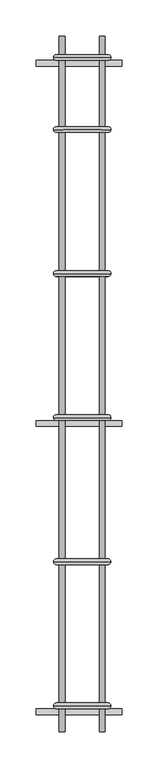
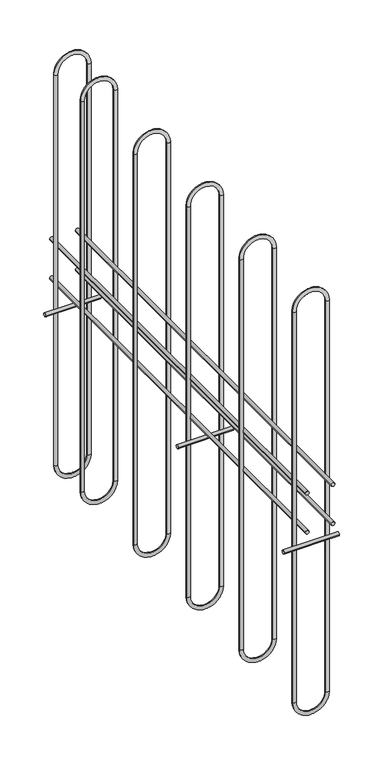
"""IFC4 building model written with IfcOpenShell, lengths in millimetres: proxy geometry."""

from ifc_helpers import new_model, si_unit, point, frame, frame_2d, origin, place, context, project, spatial, circle_curve, ellipse_curve, trimmed, segment, composite_curve, outline, extrude, source, transform, mapped, element, save
from ifc_brep_helpers import cylinder_surface, revolved_surface, advanced_brep


def generic_models_81b1c5bd(model_context):
    return source(origin(), model_context, "Body", "SolidModel", [
        advanced_brep(
        [(16447.8502159, 9273.8974078, 7458.4276677), (16367.8502159, 9273.8974078, 7458.4276677), (16375.8502159, 9273.8974078, 7458.4276677), (16439.8502159, 9273.8974078, 7458.4276677), (16439.8502159, 9273.8974078, 8358.4276677), (16447.8502159, 9273.8974078, 8358.4276677), (16367.8502159, 9273.8974078, 8358.4276677), (16375.8502159, 9273.8974078, 8358.4276677)],
        [
            (0, 1, circle_curve(frame((16407.8502159, 9273.8974078, 7458.4276677), z_axis=(0.0, 1.0, 0.0), x_axis=(-1.0, 0.0, 0.0)), 40.0)),
            (1, 2, circle_curve(frame((16371.8502159, 9273.8974078, 7458.4276677), z_axis=(0.0, 0.0, -1.0), x_axis=(1.0, 0.0, 0.0)), 4.0)),
            (2, 3, circle_curve(frame((16407.8502159, 9273.8974078, 7458.4276677), z_axis=(0.0, -1.0, 0.0), x_axis=(-1.0, 0.0, 0.0)), 32.0)),
            (3, 0, circle_curve(frame((16443.8502159, 9273.8974078, 7458.4276677), z_axis=(0.0, 0.0, -1.0), x_axis=(-1.0, 0.0, 0.0)), 4.0)),
            (2, 1, circle_curve(frame((16371.8502159, 9273.8974078, 7458.4276677), z_axis=(0.0, 0.0, -1.0), x_axis=(1.0, 0.0, 0.0)), 4.0)),
            (0, 3, circle_curve(frame((16443.8502159, 9273.8974078, 7458.4276677), z_axis=(0.0, 0.0, -1.0), x_axis=(-1.0, 0.0, 0.0)), 4.0)),
            (3, 4),
            (4, 5, circle_curve(frame((16443.8502159, 9273.8974078, 8358.4276677), z_axis=(0.0, 0.0, -1.0), x_axis=(-1.0, 0.0, 0.0)), 4.0)),
            (5, 0),
            (5, 4, circle_curve(frame((16443.8502159, 9273.8974078, 8358.4276677), z_axis=(0.0, 0.0, -1.0), x_axis=(-1.0, 0.0, 0.0)), 4.0)),
            (6, 5, circle_curve(frame((16407.8502159, 9273.8974078, 8358.4276677), z_axis=(0.0, 1.0, 0.0), x_axis=(1.0, 0.0, 0.0)), 40.0)),
            (4, 7, circle_curve(frame((16407.8502159, 9273.8974078, 8358.4276677), z_axis=(0.0, -1.0, 0.0), x_axis=(1.0, 0.0, 0.0)), 32.0)),
            (7, 6, circle_curve(frame((16371.8502159, 9273.8974078, 8358.4276677), z_axis=(0.0, 0.0, 1.0), x_axis=(1.0, 0.0, 0.0)), 4.0)),
            (6, 7, circle_curve(frame((16371.8502159, 9273.8974078, 8358.4276677), z_axis=(0.0, 0.0, 1.0), x_axis=(1.0, 0.0, 0.0)), 4.0)),
            (7, 2),
            (1, 6),
        ],
        [
            revolved_surface(trimmed(ellipse_curve(frame((16371.8502159, 9273.8974078, 7458.4276677), z_axis=(0.0, 0.0, 1.0), x_axis=(1.0, 0.0, 0.0)), 4.0, 4.0), [point((16375.8502159, 9273.8974078, 7458.4276677))], [point((16367.8502159, 9273.8974078, 7458.4276677))], True, "CARTESIAN"), (16407.8502159, 9273.8974078, 7458.4276677), (0.0, -1.0, 0.0)),
            revolved_surface(trimmed(ellipse_curve(frame((16371.8502159, 9273.8974078, 7458.4276677), z_axis=(0.0, 0.0, 1.0), x_axis=(1.0, 0.0, 0.0)), 4.0, 4.0), [point((16367.8502159, 9273.8974078, 7458.4276677))], [point((16375.8502159, 9273.8974078, 7458.4276677))], True, "CARTESIAN"), (16407.8502159, 9273.8974078, 7458.4276677), (0.0, -1.0, 0.0)),
            cylinder_surface(frame((16443.8502159, 9273.8974078, 7458.4276677), z_axis=(0.0, 0.0, -1.0), x_axis=(-1.0, 0.0, 0.0)), 4.0),
            revolved_surface(trimmed(ellipse_curve(frame((16443.8502159, 9273.8974078, 8358.4276677), z_axis=(0.0, 0.0, -1.0), x_axis=(-1.0, 0.0, 0.0)), 4.0, 4.0), [point((16439.8502159, 9273.8974078, 8358.4276677))], [point((16447.8502159, 9273.8974078, 8358.4276677))], True, "CARTESIAN"), (16407.8502159, 9273.8974078, 8358.4276677), (0.0, -1.0, 0.0)),
            revolved_surface(trimmed(ellipse_curve(frame((16443.8502159, 9273.8974078, 8358.4276677), z_axis=(0.0, 0.0, -1.0), x_axis=(-1.0, 0.0, 0.0)), 4.0, 4.0), [point((16447.8502159, 9273.8974078, 8358.4276677))], [point((16439.8502159, 9273.8974078, 8358.4276677))], True, "CARTESIAN"), (16407.8502159, 9273.8974078, 8358.4276677), (0.0, -1.0, 0.0)),
            cylinder_surface(frame((16371.8502159, 9273.8974078, 8358.4276677), z_axis=(0.0, 0.0, 1.0), x_axis=(1.0, 0.0, 0.0)), 4.0),
        ],
        [
            (0, [[1, 2, 3, 4]]),
            (1, [[-3, 5, -1, 6]]),
            (2, [[-4, 7, 8, 9]]),
            (2, [[-6, -9, 10, -7]]),
            (3, [[11, -8, 12, 13]]),
            (4, [[-12, -10, -11, 14]]),
            (5, [[-13, 15, -2, 16]]),
            (5, [[-14, -16, -5, -15]]),
        ],
    ),
        extrude(outline(composite_curve([segment(trimmed(circle_curve(frame_2d((10165.8600786, 7818.4276677)), 4.0), [point((10169.8600786, 7818.4276677))], [point((10161.8600786, 7818.4276677))], False, "CARTESIAN"), True, "CONTINUOUS"), segment(trimmed(circle_curve(frame_2d((10165.8600786, 7818.4276677)), 4.0), [point((10161.8600786, 7818.4276677))], [point((10169.8600786, 7818.4276677))], False, "CARTESIAN"), True, "CONTINUOUS")], self_intersect=False)), frame((16343.4712212, 0.0, 0.0), z_axis=(1.0, 0.0, 0.0), x_axis=(0.0, 1.0, 0.0)), (0.0, 0.0, 1.0), 120.0),
        extrude(outline(composite_curve([segment(trimmed(circle_curve(frame_2d((9665.8600786, 7818.4276677)), 4.0), [point((9669.8600786, 7818.4276677))], [point((9661.8600786, 7818.4276677))], False, "CARTESIAN"), True, "CONTINUOUS"), segment(trimmed(circle_curve(frame_2d((9665.8600786, 7818.4276677)), 4.0), [point((9661.8600786, 7818.4276677))], [point((9669.8600786, 7818.4276677))], False, "CARTESIAN"), True, "CONTINUOUS")], self_intersect=False)), frame((16343.4712212, 0.0, 0.0), z_axis=(1.0, 0.0, 0.0), x_axis=(0.0, 1.0, 0.0)), (0.0, 0.0, 1.0), 120.0),
        extrude(outline(composite_curve([segment(trimmed(circle_curve(frame_2d((9265.8600786, 7818.4276677)), 4.0), [point((9269.8600786, 7818.4276677))], [point((9261.8600786, 7818.4276677))], False, "CARTESIAN"), True, "CONTINUOUS"), segment(trimmed(circle_curve(frame_2d((9265.8600786, 7818.4276677)), 4.0), [point((9261.8600786, 7818.4276677))], [point((9269.8600786, 7818.4276677))], False, "CARTESIAN"), True, "CONTINUOUS")], self_intersect=False)), frame((16343.4712212, 0.0, 0.0), z_axis=(1.0, 0.0, 0.0), x_axis=(0.0, 1.0, 0.0)), (0.0, 0.0, 1.0), 120.0),
        advanced_brep(
        [(16447.8502159, 10173.8974078, 7458.4276677), (16367.8502159, 10173.8974078, 7458.4276677), (16375.8502159, 10173.8974078, 7458.4276677), (16439.8502159, 10173.8974078, 7458.4276677), (16439.8502159, 10173.8974078, 8358.4276677), (16447.8502159, 10173.8974078, 8358.4276677), (16367.8502159, 10173.8974078, 8358.4276677), (16375.8502159, 10173.8974078, 8358.4276677)],
        [
            (0, 1, circle_curve(frame((16407.8502159, 10173.8974078, 7458.4276677), z_axis=(0.0, 1.0, 0.0), x_axis=(-1.0, 0.0, 0.0)), 40.0)),
            (1, 2, circle_curve(frame((16371.8502159, 10173.8974078, 7458.4276677), z_axis=(0.0, 0.0, -1.0), x_axis=(1.0, 0.0, 0.0)), 4.0)),
            (2, 3, circle_curve(frame((16407.8502159, 10173.8974078, 7458.4276677), z_axis=(0.0, -1.0, 0.0), x_axis=(-1.0, 0.0, 0.0)), 32.0)),
            (3, 0, circle_curve(frame((16443.8502159, 10173.8974078, 7458.4276677), z_axis=(0.0, 0.0, -1.0), x_axis=(-1.0, 0.0, 0.0)), 4.0)),
            (2, 1, circle_curve(frame((16371.8502159, 10173.8974078, 7458.4276677), z_axis=(0.0, 0.0, -1.0), x_axis=(1.0, 0.0, 0.0)), 4.0)),
            (0, 3, circle_curve(frame((16443.8502159, 10173.8974078, 7458.4276677), z_axis=(0.0, 0.0, -1.0), x_axis=(-1.0, 0.0, 0.0)), 4.0)),
            (3, 4),
            (4, 5, circle_curve(frame((16443.8502159, 10173.8974078, 8358.4276677), z_axis=(0.0, 0.0, -1.0), x_axis=(-1.0, 0.0, 0.0)), 4.0)),
            (5, 0),
            (5, 4, circle_curve(frame((16443.8502159, 10173.8974078, 8358.4276677), z_axis=(0.0, 0.0, -1.0), x_axis=(-1.0, 0.0, 0.0)), 4.0)),
            (6, 5, circle_curve(frame((16407.8502159, 10173.8974078, 8358.4276677), z_axis=(0.0, 1.0, 0.0), x_axis=(1.0, 0.0, 0.0)), 40.0)),
            (4, 7, circle_curve(frame((16407.8502159, 10173.8974078, 8358.4276677), z_axis=(0.0, -1.0, 0.0), x_axis=(1.0, 0.0, 0.0)), 32.0)),
            (7, 6, circle_curve(frame((16371.8502159, 10173.8974078, 8358.4276677), z_axis=(0.0, 0.0, 1.0), x_axis=(1.0, 0.0, 0.0)), 4.0)),
            (6, 7, circle_curve(frame((16371.8502159, 10173.8974078, 8358.4276677), z_axis=(0.0, 0.0, 1.0), x_axis=(1.0, 0.0, 0.0)), 4.0)),
            (7, 2),
            (1, 6),
        ],
        [
            revolved_surface(trimmed(ellipse_curve(frame((16371.8502159, 10173.8974078, 7458.4276677), z_axis=(0.0, 0.0, 1.0), x_axis=(1.0, 0.0, 0.0)), 4.0, 4.0), [point((16375.8502159, 10173.8974078, 7458.4276677))], [point((16367.8502159, 10173.8974078, 7458.4276677))], True, "CARTESIAN"), (16407.8502159, 10173.8974078, 7458.4276677), (0.0, -1.0, 0.0)),
            revolved_surface(trimmed(ellipse_curve(frame((16371.8502159, 10173.8974078, 7458.4276677), z_axis=(0.0, 0.0, 1.0), x_axis=(1.0, 0.0, 0.0)), 4.0, 4.0), [point((16367.8502159, 10173.8974078, 7458.4276677))], [point((16375.8502159, 10173.8974078, 7458.4276677))], True, "CARTESIAN"), (16407.8502159, 10173.8974078, 7458.4276677), (0.0, -1.0, 0.0)),
            cylinder_surface(frame((16443.8502159, 10173.8974078, 7458.4276677), z_axis=(0.0, 0.0, -1.0), x_axis=(-1.0, 0.0, 0.0)), 4.0),
            revolved_surface(trimmed(ellipse_curve(frame((16443.8502159, 10173.8974078, 8358.4276677), z_axis=(0.0, 0.0, -1.0), x_axis=(-1.0, 0.0, 0.0)), 4.0, 4.0), [point((16439.8502159, 10173.8974078, 8358.4276677))], [point((16447.8502159, 10173.8974078, 8358.4276677))], True, "CARTESIAN"), (16407.8502159, 10173.8974078, 8358.4276677), (0.0, -1.0, 0.0)),
            revolved_surface(trimmed(ellipse_curve(frame((16443.8502159, 10173.8974078, 8358.4276677), z_axis=(0.0, 0.0, -1.0), x_axis=(-1.0, 0.0, 0.0)), 4.0, 4.0), [point((16447.8502159, 10173.8974078, 8358.4276677))], [point((16439.8502159, 10173.8974078, 8358.4276677))], True, "CARTESIAN"), (16407.8502159, 10173.8974078, 8358.4276677), (0.0, -1.0, 0.0)),
            cylinder_surface(frame((16371.8502159, 10173.8974078, 8358.4276677), z_axis=(0.0, 0.0, 1.0), x_axis=(1.0, 0.0, 0.0)), 4.0),
        ],
        [
            (0, [[1, 2, 3, 4]]),
            (1, [[-3, 5, -1, 6]]),
            (2, [[-4, 7, 8, 9]]),
            (2, [[-6, -9, 10, -7]]),
            (3, [[11, -8, 12, 13]]),
            (4, [[-12, -10, -11, 14]]),
            (5, [[-13, 15, -2, 16]]),
            (5, [[-14, -16, -5, -15]]),
        ],
    ),
        advanced_brep(
        [(16447.8502159, 10073.8974078, 7458.4276677), (16367.8502159, 10073.8974078, 7458.4276677), (16375.8502159, 10073.8974078, 7458.4276677), (16439.8502159, 10073.8974078, 7458.4276677), (16439.8502159, 10073.8974078, 8358.4276677), (16447.8502159, 10073.8974078, 8358.4276677), (16367.8502159, 10073.8974078, 8358.4276677), (16375.8502159, 10073.8974078, 8358.4276677)],
        [
            (0, 1, circle_curve(frame((16407.8502159, 10073.8974078, 7458.4276677), z_axis=(0.0, 1.0, 0.0), x_axis=(-1.0, 0.0, 0.0)), 40.0)),
            (1, 2, circle_curve(frame((16371.8502159, 10073.8974078, 7458.4276677), z_axis=(0.0, 0.0, -1.0), x_axis=(1.0, 0.0, 0.0)), 4.0)),
            (2, 3, circle_curve(frame((16407.8502159, 10073.8974078, 7458.4276677), z_axis=(0.0, -1.0, 0.0), x_axis=(-1.0, 0.0, 0.0)), 32.0)),
            (3, 0, circle_curve(frame((16443.8502159, 10073.8974078, 7458.4276677), z_axis=(0.0, 0.0, -1.0), x_axis=(-1.0, 0.0, 0.0)), 4.0)),
            (2, 1, circle_curve(frame((16371.8502159, 10073.8974078, 7458.4276677), z_axis=(0.0, 0.0, -1.0), x_axis=(1.0, 0.0, 0.0)), 4.0)),
            (0, 3, circle_curve(frame((16443.8502159, 10073.8974078, 7458.4276677), z_axis=(0.0, 0.0, -1.0), x_axis=(-1.0, 0.0, 0.0)), 4.0)),
            (3, 4),
            (4, 5, circle_curve(frame((16443.8502159, 10073.8974078, 8358.4276677), z_axis=(0.0, 0.0, -1.0), x_axis=(-1.0, 0.0, 0.0)), 4.0)),
            (5, 0),
            (5, 4, circle_curve(frame((16443.8502159, 10073.8974078, 8358.4276677), z_axis=(0.0, 0.0, -1.0), x_axis=(-1.0, 0.0, 0.0)), 4.0)),
            (6, 5, circle_curve(frame((16407.8502159, 10073.8974078, 8358.4276677), z_axis=(0.0, 1.0, 0.0), x_axis=(1.0, 0.0, 0.0)), 40.0)),
            (4, 7, circle_curve(frame((16407.8502159, 10073.8974078, 8358.4276677), z_axis=(0.0, -1.0, 0.0), x_axis=(1.0, 0.0, 0.0)), 32.0)),
            (7, 6, circle_curve(frame((16371.8502159, 10073.8974078, 8358.4276677), z_axis=(0.0, 0.0, 1.0), x_axis=(1.0, 0.0, 0.0)), 4.0)),
            (6, 7, circle_curve(frame((16371.8502159, 10073.8974078, 8358.4276677), z_axis=(0.0, 0.0, 1.0), x_axis=(1.0, 0.0, 0.0)), 4.0)),
            (7, 2),
            (1, 6),
        ],
        [
            revolved_surface(trimmed(ellipse_curve(frame((16371.8502159, 10073.8974078, 7458.4276677), z_axis=(0.0, 0.0, 1.0), x_axis=(1.0, 0.0, 0.0)), 4.0, 4.0), [point((16375.8502159, 10073.8974078, 7458.4276677))], [point((16367.8502159, 10073.8974078, 7458.4276677))], True, "CARTESIAN"), (16407.8502159, 10073.8974078, 7458.4276677), (0.0, -1.0, 0.0)),
            revolved_surface(trimmed(ellipse_curve(frame((16371.8502159, 10073.8974078, 7458.4276677), z_axis=(0.0, 0.0, 1.0), x_axis=(1.0, 0.0, 0.0)), 4.0, 4.0), [point((16367.8502159, 10073.8974078, 7458.4276677))], [point((16375.8502159, 10073.8974078, 7458.4276677))], True, "CARTESIAN"), (16407.8502159, 10073.8974078, 7458.4276677), (0.0, -1.0, 0.0)),
            cylinder_surface(frame((16443.8502159, 10073.8974078, 7458.4276677), z_axis=(0.0, 0.0, -1.0), x_axis=(-1.0, 0.0, 0.0)), 4.0),
            revolved_surface(trimmed(ellipse_curve(frame((16443.8502159, 10073.8974078, 8358.4276677), z_axis=(0.0, 0.0, -1.0), x_axis=(-1.0, 0.0, 0.0)), 4.0, 4.0), [point((16439.8502159, 10073.8974078, 8358.4276677))], [point((16447.8502159, 10073.8974078, 8358.4276677))], True, "CARTESIAN"), (16407.8502159, 10073.8974078, 8358.4276677), (0.0, -1.0, 0.0)),
            revolved_surface(trimmed(ellipse_curve(frame((16443.8502159, 10073.8974078, 8358.4276677), z_axis=(0.0, 0.0, -1.0), x_axis=(-1.0, 0.0, 0.0)), 4.0, 4.0), [point((16447.8502159, 10073.8974078, 8358.4276677))], [point((16439.8502159, 10073.8974078, 8358.4276677))], True, "CARTESIAN"), (16407.8502159, 10073.8974078, 8358.4276677), (0.0, -1.0, 0.0)),
            cylinder_surface(frame((16371.8502159, 10073.8974078, 8358.4276677), z_axis=(0.0, 0.0, 1.0), x_axis=(1.0, 0.0, 0.0)), 4.0),
        ],
        [
            (0, [[1, 2, 3, 4]]),
            (1, [[-3, 5, -1, 6]]),
            (2, [[-4, 7, 8, 9]]),
            (2, [[-6, -9, 10, -7]]),
            (3, [[11, -8, 12, 13]]),
            (4, [[-12, -10, -11, 14]]),
            (5, [[-13, 15, -2, 16]]),
            (5, [[-14, -16, -5, -15]]),
        ],
    ),
        advanced_brep(
        [(16447.8502159, 9873.8974078, 7458.4276677), (16367.8502159, 9873.8974078, 7458.4276677), (16375.8502159, 9873.8974078, 7458.4276677), (16439.8502159, 9873.8974078, 7458.4276677), (16439.8502159, 9873.8974078, 8358.4276677), (16447.8502159, 9873.8974078, 8358.4276677), (16367.8502159, 9873.8974078, 8358.4276677), (16375.8502159, 9873.8974078, 8358.4276677)],
        [
            (0, 1, circle_curve(frame((16407.8502159, 9873.8974078, 7458.4276677), z_axis=(0.0, 1.0, 0.0), x_axis=(-1.0, 0.0, 0.0)), 40.0)),
            (1, 2, circle_curve(frame((16371.8502159, 9873.8974078, 7458.4276677), z_axis=(0.0, 0.0, -1.0), x_axis=(1.0, 0.0, 0.0)), 4.0)),
            (2, 3, circle_curve(frame((16407.8502159, 9873.8974078, 7458.4276677), z_axis=(0.0, -1.0, 0.0), x_axis=(-1.0, 0.0, 0.0)), 32.0)),
            (3, 0, circle_curve(frame((16443.8502159, 9873.8974078, 7458.4276677), z_axis=(0.0, 0.0, -1.0), x_axis=(-1.0, 0.0, 0.0)), 4.0)),
            (2, 1, circle_curve(frame((16371.8502159, 9873.8974078, 7458.4276677), z_axis=(0.0, 0.0, -1.0), x_axis=(1.0, 0.0, 0.0)), 4.0)),
            (0, 3, circle_curve(frame((16443.8502159, 9873.8974078, 7458.4276677), z_axis=(0.0, 0.0, -1.0), x_axis=(-1.0, 0.0, 0.0)), 4.0)),
            (3, 4),
            (4, 5, circle_curve(frame((16443.8502159, 9873.8974078, 8358.4276677), z_axis=(0.0, 0.0, -1.0), x_axis=(-1.0, 0.0, 0.0)), 4.0)),
            (5, 0),
            (5, 4, circle_curve(frame((16443.8502159, 9873.8974078, 8358.4276677), z_axis=(0.0, 0.0, -1.0), x_axis=(-1.0, 0.0, 0.0)), 4.0)),
            (6, 5, circle_curve(frame((16407.8502159, 9873.8974078, 8358.4276677), z_axis=(0.0, 1.0, 0.0), x_axis=(1.0, 0.0, 0.0)), 40.0)),
            (4, 7, circle_curve(frame((16407.8502159, 9873.8974078, 8358.4276677), z_axis=(0.0, -1.0, 0.0), x_axis=(1.0, 0.0, 0.0)), 32.0)),
            (7, 6, circle_curve(frame((16371.8502159, 9873.8974078, 8358.4276677), z_axis=(0.0, 0.0, 1.0), x_axis=(1.0, 0.0, 0.0)), 4.0)),
            (6, 7, circle_curve(frame((16371.8502159, 9873.8974078, 8358.4276677), z_axis=(0.0, 0.0, 1.0), x_axis=(1.0, 0.0, 0.0)), 4.0)),
            (7, 2),
            (1, 6),
        ],
        [
            revolved_surface(trimmed(ellipse_curve(frame((16371.8502159, 9873.8974078, 7458.4276677), z_axis=(0.0, 0.0, 1.0), x_axis=(1.0, 0.0, 0.0)), 4.0, 4.0), [point((16375.8502159, 9873.8974078, 7458.4276677))], [point((16367.8502159, 9873.8974078, 7458.4276677))], True, "CARTESIAN"), (16407.8502159, 9873.8974078, 7458.4276677), (0.0, -1.0, 0.0)),
            revolved_surface(trimmed(ellipse_curve(frame((16371.8502159, 9873.8974078, 7458.4276677), z_axis=(0.0, 0.0, 1.0), x_axis=(1.0, 0.0, 0.0)), 4.0, 4.0), [point((16367.8502159, 9873.8974078, 7458.4276677))], [point((16375.8502159, 9873.8974078, 7458.4276677))], True, "CARTESIAN"), (16407.8502159, 9873.8974078, 7458.4276677), (0.0, -1.0, 0.0)),
            cylinder_surface(frame((16443.8502159, 9873.8974078, 7458.4276677), z_axis=(0.0, 0.0, -1.0), x_axis=(-1.0, 0.0, 0.0)), 4.0),
            revolved_surface(trimmed(ellipse_curve(frame((16443.8502159, 9873.8974078, 8358.4276677), z_axis=(0.0, 0.0, -1.0), x_axis=(-1.0, 0.0, 0.0)), 4.0, 4.0), [point((16439.8502159, 9873.8974078, 8358.4276677))], [point((16447.8502159, 9873.8974078, 8358.4276677))], True, "CARTESIAN"), (16407.8502159, 9873.8974078, 8358.4276677), (0.0, -1.0, 0.0)),
            revolved_surface(trimmed(ellipse_curve(frame((16443.8502159, 9873.8974078, 8358.4276677), z_axis=(0.0, 0.0, -1.0), x_axis=(-1.0, 0.0, 0.0)), 4.0, 4.0), [point((16447.8502159, 9873.8974078, 8358.4276677))], [point((16439.8502159, 9873.8974078, 8358.4276677))], True, "CARTESIAN"), (16407.8502159, 9873.8974078, 8358.4276677), (0.0, -1.0, 0.0)),
            cylinder_surface(frame((16371.8502159, 9873.8974078, 8358.4276677), z_axis=(0.0, 0.0, 1.0), x_axis=(1.0, 0.0, 0.0)), 4.0),
        ],
        [
            (0, [[1, 2, 3, 4]]),
            (1, [[-3, 5, -1, 6]]),
            (2, [[-4, 7, 8, 9]]),
            (2, [[-6, -9, 10, -7]]),
            (3, [[11, -8, 12, 13]]),
            (4, [[-12, -10, -11, 14]]),
            (5, [[-13, 15, -2, 16]]),
            (5, [[-14, -16, -5, -15]]),
        ],
    ),
        advanced_brep(
        [(16447.8502159, 9673.8974078, 7458.4276677), (16367.8502159, 9673.8974078, 7458.4276677), (16375.8502159, 9673.8974078, 7458.4276677), (16439.8502159, 9673.8974078, 7458.4276677), (16439.8502159, 9673.8974078, 8358.4276677), (16447.8502159, 9673.8974078, 8358.4276677), (16367.8502159, 9673.8974078, 8358.4276677), (16375.8502159, 9673.8974078, 8358.4276677)],
        [
            (0, 1, circle_curve(frame((16407.8502159, 9673.8974078, 7458.4276677), z_axis=(0.0, 1.0, 0.0), x_axis=(-1.0, 0.0, 0.0)), 40.0)),
            (1, 2, circle_curve(frame((16371.8502159, 9673.8974078, 7458.4276677), z_axis=(0.0, 0.0, -1.0), x_axis=(1.0, 0.0, 0.0)), 4.0)),
            (2, 3, circle_curve(frame((16407.8502159, 9673.8974078, 7458.4276677), z_axis=(0.0, -1.0, 0.0), x_axis=(-1.0, 0.0, 0.0)), 32.0)),
            (3, 0, circle_curve(frame((16443.8502159, 9673.8974078, 7458.4276677), z_axis=(0.0, 0.0, -1.0), x_axis=(-1.0, 0.0, 0.0)), 4.0)),
            (2, 1, circle_curve(frame((16371.8502159, 9673.8974078, 7458.4276677), z_axis=(0.0, 0.0, -1.0), x_axis=(1.0, 0.0, 0.0)), 4.0)),
            (0, 3, circle_curve(frame((16443.8502159, 9673.8974078, 7458.4276677), z_axis=(0.0, 0.0, -1.0), x_axis=(-1.0, 0.0, 0.0)), 4.0)),
            (3, 4),
            (4, 5, circle_curve(frame((16443.8502159, 9673.8974078, 8358.4276677), z_axis=(0.0, 0.0, -1.0), x_axis=(-1.0, 0.0, 0.0)), 4.0)),
            (5, 0),
            (5, 4, circle_curve(frame((16443.8502159, 9673.8974078, 8358.4276677), z_axis=(0.0, 0.0, -1.0), x_axis=(-1.0, 0.0, 0.0)), 4.0)),
            (6, 5, circle_curve(frame((16407.8502159, 9673.8974078, 8358.4276677), z_axis=(0.0, 1.0, 0.0), x_axis=(1.0, 0.0, 0.0)), 40.0)),
            (4, 7, circle_curve(frame((16407.8502159, 9673.8974078, 8358.4276677), z_axis=(0.0, -1.0, 0.0), x_axis=(1.0, 0.0, 0.0)), 32.0)),
            (7, 6, circle_curve(frame((16371.8502159, 9673.8974078, 8358.4276677), z_axis=(0.0, 0.0, 1.0), x_axis=(1.0, 0.0, 0.0)), 4.0)),
            (6, 7, circle_curve(frame((16371.8502159, 9673.8974078, 8358.4276677), z_axis=(0.0, 0.0, 1.0), x_axis=(1.0, 0.0, 0.0)), 4.0)),
            (7, 2),
            (1, 6),
        ],
        [
            revolved_surface(trimmed(ellipse_curve(frame((16371.8502159, 9673.8974078, 7458.4276677), z_axis=(0.0, 0.0, 1.0), x_axis=(1.0, 0.0, 0.0)), 4.0, 4.0), [point((16375.8502159, 9673.8974078, 7458.4276677))], [point((16367.8502159, 9673.8974078, 7458.4276677))], True, "CARTESIAN"), (16407.8502159, 9673.8974078, 7458.4276677), (0.0, -1.0, 0.0)),
            revolved_surface(trimmed(ellipse_curve(frame((16371.8502159, 9673.8974078, 7458.4276677), z_axis=(0.0, 0.0, 1.0), x_axis=(1.0, 0.0, 0.0)), 4.0, 4.0), [point((16367.8502159, 9673.8974078, 7458.4276677))], [point((16375.8502159, 9673.8974078, 7458.4276677))], True, "CARTESIAN"), (16407.8502159, 9673.8974078, 7458.4276677), (0.0, -1.0, 0.0)),
            cylinder_surface(frame((16443.8502159, 9673.8974078, 7458.4276677), z_axis=(0.0, 0.0, -1.0), x_axis=(-1.0, 0.0, 0.0)), 4.0),
            revolved_surface(trimmed(ellipse_curve(frame((16443.8502159, 9673.8974078, 8358.4276677), z_axis=(0.0, 0.0, -1.0), x_axis=(-1.0, 0.0, 0.0)), 4.0, 4.0), [point((16439.8502159, 9673.8974078, 8358.4276677))], [point((16447.8502159, 9673.8974078, 8358.4276677))], True, "CARTESIAN"), (16407.8502159, 9673.8974078, 8358.4276677), (0.0, -1.0, 0.0)),
            revolved_surface(trimmed(ellipse_curve(frame((16443.8502159, 9673.8974078, 8358.4276677), z_axis=(0.0, 0.0, -1.0), x_axis=(-1.0, 0.0, 0.0)), 4.0, 4.0), [point((16447.8502159, 9673.8974078, 8358.4276677))], [point((16439.8502159, 9673.8974078, 8358.4276677))], True, "CARTESIAN"), (16407.8502159, 9673.8974078, 8358.4276677), (0.0, -1.0, 0.0)),
            cylinder_surface(frame((16371.8502159, 9673.8974078, 8358.4276677), z_axis=(0.0, 0.0, 1.0), x_axis=(1.0, 0.0, 0.0)), 4.0),
        ],
        [
            (0, [[1, 2, 3, 4]]),
            (1, [[-3, 5, -1, 6]]),
            (2, [[-4, 7, 8, 9]]),
            (2, [[-6, -9, 10, -7]]),
            (3, [[11, -8, 12, 13]]),
            (4, [[-12, -10, -11, 14]]),
            (5, [[-13, 15, -2, 16]]),
            (5, [[-14, -16, -5, -15]]),
        ],
    ),
        extrude(outline(composite_curve([segment(trimmed(circle_curve(frame_2d((7958.4276677, 16379.7084808)), 4.0), [point((7958.4276677, 16375.7084808))], [point((7958.4276677, 16383.7084808))], False, "CARTESIAN"), True, "CONTINUOUS"), segment(trimmed(circle_curve(frame_2d((7958.4276677, 16379.7084808)), 4.0), [point((7958.4276677, 16383.7084808))], [point((7958.4276677, 16375.7084808))], False, "CARTESIAN"), True, "CONTINUOUS")], self_intersect=False)), frame((0.0, 9237.6636915, 0.0), z_axis=(0.0, 1.0, 0.0), x_axis=(0.0, 0.0, 1.0)), (0.0, 0.0, 1.0), 966.011653),
        extrude(outline(composite_curve([segment(trimmed(circle_curve(frame_2d((7958.4276677, 16435.8302495)), 4.0), [point((7958.4276677, 16431.8302495))], [point((7958.4276677, 16439.8302495))], False, "CARTESIAN"), True, "CONTINUOUS"), segment(trimmed(circle_curve(frame_2d((7958.4276677, 16435.8302495)), 4.0), [point((7958.4276677, 16439.8302495))], [point((7958.4276677, 16431.8302495))], False, "CARTESIAN"), True, "CONTINUOUS")], self_intersect=False)), frame((0.0, 9237.6636915, 0.0), z_axis=(0.0, 1.0, 0.0), x_axis=(0.0, 0.0, 1.0)), (0.0, 0.0, 1.0), 966.011653),
        extrude(outline(composite_curve([segment(trimmed(circle_curve(frame_2d((7868.4276677, 16379.7084808)), 4.0), [point((7868.4276677, 16375.7084808))], [point((7868.4276677, 16383.7084808))], False, "CARTESIAN"), True, "CONTINUOUS"), segment(trimmed(circle_curve(frame_2d((7868.4276677, 16379.7084808)), 4.0), [point((7868.4276677, 16383.7084808))], [point((7868.4276677, 16375.7084808))], False, "CARTESIAN"), True, "CONTINUOUS")], self_intersect=False)), frame((0.0, 9237.6636915, 0.0), z_axis=(0.0, 1.0, 0.0), x_axis=(0.0, 0.0, 1.0)), (0.0, 0.0, 1.0), 966.011653),
        extrude(outline(composite_curve([segment(trimmed(circle_curve(frame_2d((7868.4276677, 16435.8302495)), 4.0), [point((7868.4276677, 16431.8302495))], [point((7868.4276677, 16439.8302495))], False, "CARTESIAN"), True, "CONTINUOUS"), segment(trimmed(circle_curve(frame_2d((7868.4276677, 16435.8302495)), 4.0), [point((7868.4276677, 16439.8302495))], [point((7868.4276677, 16431.8302495))], False, "CARTESIAN"), True, "CONTINUOUS")], self_intersect=False)), frame((0.0, 9237.6636915, 0.0), z_axis=(0.0, 1.0, 0.0), x_axis=(0.0, 0.0, 1.0)), (0.0, 0.0, 1.0), 966.011653),
        advanced_brep(
        [(16447.8502159, 9473.8974078, 7458.4276677), (16367.8502159, 9473.8974078, 7458.4276677), (16375.8502159, 9473.8974078, 7458.4276677), (16439.8502159, 9473.8974078, 7458.4276677), (16439.8502159, 9473.8974078, 8358.4276677), (16447.8502159, 9473.8974078, 8358.4276677), (16367.8502159, 9473.8974078, 8358.4276677), (16375.8502159, 9473.8974078, 8358.4276677)],
        [
            (0, 1, circle_curve(frame((16407.8502159, 9473.8974078, 7458.4276677), z_axis=(0.0, 1.0, 0.0), x_axis=(-1.0, 0.0, 0.0)), 40.0)),
            (1, 2, circle_curve(frame((16371.8502159, 9473.8974078, 7458.4276677), z_axis=(0.0, 0.0, -1.0), x_axis=(1.0, 0.0, 0.0)), 4.0)),
            (2, 3, circle_curve(frame((16407.8502159, 9473.8974078, 7458.4276677), z_axis=(0.0, -1.0, 0.0), x_axis=(-1.0, 0.0, 0.0)), 32.0)),
            (3, 0, circle_curve(frame((16443.8502159, 9473.8974078, 7458.4276677), z_axis=(0.0, 0.0, -1.0), x_axis=(-1.0, 0.0, 0.0)), 4.0)),
            (2, 1, circle_curve(frame((16371.8502159, 9473.8974078, 7458.4276677), z_axis=(0.0, 0.0, -1.0), x_axis=(1.0, 0.0, 0.0)), 4.0)),
            (0, 3, circle_curve(frame((16443.8502159, 9473.8974078, 7458.4276677), z_axis=(0.0, 0.0, -1.0), x_axis=(-1.0, 0.0, 0.0)), 4.0)),
            (3, 4),
            (4, 5, circle_curve(frame((16443.8502159, 9473.8974078, 8358.4276677), z_axis=(0.0, 0.0, -1.0), x_axis=(-1.0, 0.0, 0.0)), 4.0)),
            (5, 0),
            (5, 4, circle_curve(frame((16443.8502159, 9473.8974078, 8358.4276677), z_axis=(0.0, 0.0, -1.0), x_axis=(-1.0, 0.0, 0.0)), 4.0)),
            (6, 5, circle_curve(frame((16407.8502159, 9473.8974078, 8358.4276677), z_axis=(0.0, 1.0, 0.0), x_axis=(1.0, 0.0, 0.0)), 40.0)),
            (4, 7, circle_curve(frame((16407.8502159, 9473.8974078, 8358.4276677), z_axis=(0.0, -1.0, 0.0), x_axis=(1.0, 0.0, 0.0)), 32.0)),
            (7, 6, circle_curve(frame((16371.8502159, 9473.8974078, 8358.4276677), z_axis=(0.0, 0.0, 1.0), x_axis=(1.0, 0.0, 0.0)), 4.0)),
            (6, 7, circle_curve(frame((16371.8502159, 9473.8974078, 8358.4276677), z_axis=(0.0, 0.0, 1.0), x_axis=(1.0, 0.0, 0.0)), 4.0)),
            (7, 2),
            (1, 6),
        ],
        [
            revolved_surface(trimmed(ellipse_curve(frame((16371.8502159, 9473.8974078, 7458.4276677), z_axis=(0.0, 0.0, 1.0), x_axis=(1.0, 0.0, 0.0)), 4.0, 4.0), [point((16375.8502159, 9473.8974078, 7458.4276677))], [point((16367.8502159, 9473.8974078, 7458.4276677))], True, "CARTESIAN"), (16407.8502159, 9473.8974078, 7458.4276677), (0.0, -1.0, 0.0)),
            revolved_surface(trimmed(ellipse_curve(frame((16371.8502159, 9473.8974078, 7458.4276677), z_axis=(0.0, 0.0, 1.0), x_axis=(1.0, 0.0, 0.0)), 4.0, 4.0), [point((16367.8502159, 9473.8974078, 7458.4276677))], [point((16375.8502159, 9473.8974078, 7458.4276677))], True, "CARTESIAN"), (16407.8502159, 9473.8974078, 7458.4276677), (0.0, -1.0, 0.0)),
            cylinder_surface(frame((16443.8502159, 9473.8974078, 7458.4276677), z_axis=(0.0, 0.0, -1.0), x_axis=(-1.0, 0.0, 0.0)), 4.0),
            revolved_surface(trimmed(ellipse_curve(frame((16443.8502159, 9473.8974078, 8358.4276677), z_axis=(0.0, 0.0, -1.0), x_axis=(-1.0, 0.0, 0.0)), 4.0, 4.0), [point((16439.8502159, 9473.8974078, 8358.4276677))], [point((16447.8502159, 9473.8974078, 8358.4276677))], True, "CARTESIAN"), (16407.8502159, 9473.8974078, 8358.4276677), (0.0, -1.0, 0.0)),
            revolved_surface(trimmed(ellipse_curve(frame((16443.8502159, 9473.8974078, 8358.4276677), z_axis=(0.0, 0.0, -1.0), x_axis=(-1.0, 0.0, 0.0)), 4.0, 4.0), [point((16447.8502159, 9473.8974078, 8358.4276677))], [point((16439.8502159, 9473.8974078, 8358.4276677))], True, "CARTESIAN"), (16407.8502159, 9473.8974078, 8358.4276677), (0.0, -1.0, 0.0)),
            cylinder_surface(frame((16371.8502159, 9473.8974078, 8358.4276677), z_axis=(0.0, 0.0, 1.0), x_axis=(1.0, 0.0, 0.0)), 4.0),
        ],
        [
            (0, [[1, 2, 3, 4]]),
            (1, [[-3, 5, -1, 6]]),
            (2, [[-4, 7, 8, 9]]),
            (2, [[-6, -9, 10, -7]]),
            (3, [[11, -8, 12, 13]]),
            (4, [[-12, -10, -11, 14]]),
            (5, [[-13, 15, -2, 16]]),
            (5, [[-14, -16, -5, -15]]),
        ],
    ),
    ])


if __name__ == "__main__":
    model = new_model("IFC4")
    model_context = context("Model", 3, world=origin())
    ifc_project = project(units=[si_unit("LENGTHUNIT", "METRE", prefix="MILLI")], contexts=[model_context])
    site = spatial("IfcSite", under=ifc_project)
    building = spatial("IfcBuilding", under=site)
    placement = place(None, origin())
    generic_models_shape = generic_models_81b1c5bd(model_context)
    element("IfcBuildingElementProxy", 1, Name="Generic Models", at=placement, inside=building, context=model_context, shape_type="MappedRepresentation", body=[
        mapped(generic_models_shape, transform((0.0, 0.0, 0.0), x_axis=(1.0, 0.0, 0.0), y_axis=(0.0, 1.0, 0.0), z_axis=(0.0, 0.0, 1.0))),
    ])
    save(model, "model.ifc")
